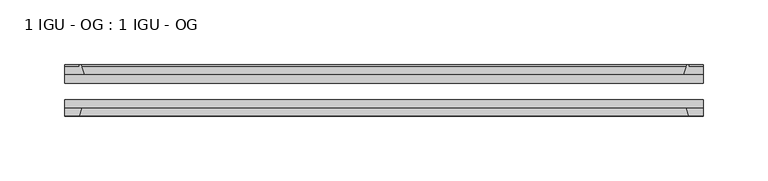
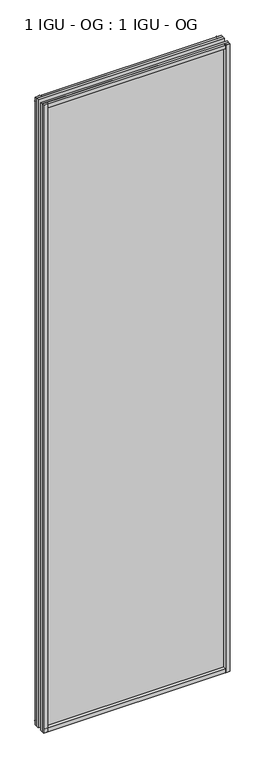
"""IFC4 building model written with IfcOpenShell, lengths in millimetres: plate geometry, 1 IGU - OG : 1 IGU - OG."""

from ifc_helpers import new_model, si_unit, point, frame, frame_2d, origin, place, context, project, spatial, polyline, circle_curve, trimmed, segment, composite_curve, outline, extrude, source, transform, mapped, element, save


def plate_1_igu_og_1_igu_og_8bdec69b(model_context):
    return source(origin(), model_context, "Body", "SweptSolid", [
        extrude(outline(polyline([(247.0275142, -31.75), (247.0275142, -38.1), (-247.0275142, -38.1), (-247.0275142, -31.75), (247.0275142, -31.75)])), frame((0.0, 0.0, -11.1125), z_axis=(0.0, 0.0, 1.0), x_axis=(1.0, 0.0, 0.0)), (0.0, 0.0, 1.0), 1755.775),
        extrude(outline(polyline([(-247.0275142, -12.7), (247.0275142, -12.7), (247.0275142, -19.05), (-247.0275142, -19.05), (-247.0275142, -12.7)])), frame((0.0, 0.0, -11.1125), z_axis=(0.0, 0.0, 1.0), x_axis=(1.0, 0.0, 0.0)), (0.0, 0.0, 1.0), 1755.775),
        extrude(outline(composite_curve([segment(polyline([(-231.6917233, -12.7), (-247.0275142, -12.7), (-247.0275142, -6.35), (-235.9150142, -6.35), (-235.9150142, -4.7751661), (-234.9856002, -4.7751661)]), True, "CONTINUOUS"), segment(trimmed(circle_curve(frame_2d((-234.9856002, -5.5371661)), 0.762), [point((-234.9856002, -4.7751661))], [point((-234.2433903, -5.364631))], False, "CARTESIAN"), True, "CONTINUOUS"), segment(trimmed(circle_curve(frame_2d((-198.614172, 2.9177851)), 36.5792237), [point((-234.2433903, -5.364631))], [point((-231.6917233, -12.7))], True, "CARTESIAN"), True, "CONTINUOUS")], self_intersect=False)), frame((0.0, 0.0, -11.1125), z_axis=(0.0, 0.0, 1.0), x_axis=(1.0, 0.0, 0.0)), (0.0, 0.0, 1.0), 1755.775),
        extrude(outline(polyline([(-247.0275142, -38.1), (-233.8097371, -38.1), (-235.9150142, -44.45), (-247.0275142, -44.45), (-247.0275142, -38.1)])), frame((0.0, 0.0, -11.1125), z_axis=(0.0, 0.0, 1.0), x_axis=(1.0, 0.0, 0.0)), (0.0, 0.0, 1.0), 1755.775),
        extrude(outline(composite_curve([segment(trimmed(circle_curve(frame_2d((234.9856002, -5.5371661)), 0.762), [point((234.2433903, -5.364631))], [point((234.9856002, -4.7751661))], False, "CARTESIAN"), True, "CONTINUOUS"), segment(polyline([(234.9856002, -4.7751661), (235.9150142, -4.7751661), (235.9150142, -6.35), (247.0275142, -6.35), (247.0275142, -12.7), (231.6917233, -12.7)]), True, "CONTINUOUS"), segment(trimmed(circle_curve(frame_2d((198.614172, 2.9177851)), 36.5792237), [point((231.6917233, -12.7))], [point((234.2433903, -5.364631))], True, "CARTESIAN"), True, "CONTINUOUS")], self_intersect=False)), frame((0.0, 0.0, -11.1125), z_axis=(0.0, 0.0, 1.0), x_axis=(1.0, 0.0, 0.0)), (0.0, 0.0, 1.0), 1755.775),
        extrude(outline(polyline([(233.8097371, -38.1), (247.0275142, -38.1), (247.0275142, -44.45), (235.9150142, -44.45), (233.8097371, -38.1)])), frame((0.0, 0.0, -11.1125), z_axis=(0.0, 0.0, 1.0), x_axis=(1.0, 0.0, 0.0)), (0.0, 0.0, 1.0), 1755.775),
        extrude(outline(composite_curve([segment(polyline([(-12.7, -11.1125), (-12.7, 4.2232909)]), True, "CONTINUOUS"), segment(trimmed(circle_curve(frame_2d((2.9177851, 37.3008421)), 36.5792237), [point((-12.7, 4.2232909))], [point((-5.364631, 1.6716239))], True, "CARTESIAN"), True, "CONTINUOUS"), segment(trimmed(circle_curve(frame_2d((-5.5371661, 0.929414)), 0.762), [point((-5.364631, 1.6716239))], [point((-4.7751661, 0.929414))], False, "CARTESIAN"), True, "CONTINUOUS"), segment(polyline([(-4.7751661, 0.929414), (-4.7751661, 0.0), (-6.35, 0.0), (-6.35, -11.1125), (-12.7, -11.1125)]), True, "CONTINUOUS")], self_intersect=False)), frame((-247.0275142, 0.0, 0.0), z_axis=(1.0, 0.0, 0.0), x_axis=(0.0, 1.0, 0.0)), (0.0, 0.0, 1.0), 494.0550284),
        extrude(outline(polyline([(-38.1, 2.1052771), (-38.1, -11.1125), (-44.45, -11.1125), (-44.45, 0.0), (-38.1, 2.1052771)])), frame((-247.0275142, 0.0, 0.0), z_axis=(1.0, 0.0, 0.0), x_axis=(0.0, 1.0, 0.0)), (0.0, 0.0, 1.0), 494.0550284),
        extrude(outline(composite_curve([segment(trimmed(circle_curve(frame_2d((2.9177851, 1696.2491579)), 36.5792237), [point((-5.364631, 1731.8783761))], [point((-12.7, 1729.3267091))], True, "CARTESIAN"), True, "CONTINUOUS"), segment(polyline([(-12.7, 1729.3267091), (-12.7, 1744.6625), (-6.35, 1744.6625), (-6.35, 1733.55), (-4.7751661, 1733.55), (-4.7751661, 1732.620586)]), True, "CONTINUOUS"), segment(trimmed(circle_curve(frame_2d((-5.5371661, 1732.620586)), 0.762), [point((-4.7751661, 1732.620586))], [point((-5.364631, 1731.8783761))], False, "CARTESIAN"), True, "CONTINUOUS")], self_intersect=False)), frame((-247.0275142, 0.0, 0.0), z_axis=(1.0, 0.0, 0.0), x_axis=(0.0, 1.0, 0.0)), (0.0, 0.0, 1.0), 494.0550284),
        extrude(outline(polyline([(-38.1, 1744.6625), (-38.1, 1731.4447229), (-44.45, 1733.55), (-44.45, 1744.6625), (-38.1, 1744.6625)])), frame((-247.0275142, 0.0, 0.0), z_axis=(1.0, 0.0, 0.0), x_axis=(0.0, 1.0, 0.0)), (0.0, 0.0, 1.0), 494.0550284),
    ])


if __name__ == "__main__":
    model = new_model("IFC4")
    model_context = context("Model", 3, world=origin())
    ifc_project = project(units=[si_unit("LENGTHUNIT", "METRE", prefix="MILLI")], contexts=[model_context])
    site = spatial("IfcSite", under=ifc_project)
    building = spatial("IfcBuilding", under=site)
    placement = place(None, origin())
    plate_1_igu_og_1_igu_og_shape = plate_1_igu_og_1_igu_og_8bdec69b(model_context)
    element("IfcPlate", 1, ObjectType="1 IGU - OG : 1 IGU - OG", at=placement, inside=building, context=model_context, shape_type="MappedRepresentation", body=[
        mapped(plate_1_igu_og_1_igu_og_shape, transform((0.0, 0.0, 0.0), x_axis=(1.0, 0.0, 0.0), y_axis=(0.0, 1.0, 0.0), z_axis=(0.0, 0.0, 1.0))),
    ])
    save(model, "model.ifc")
